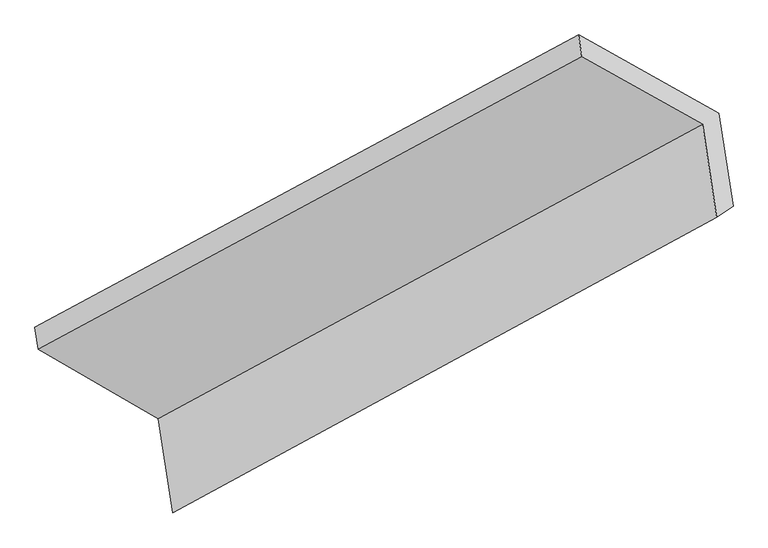
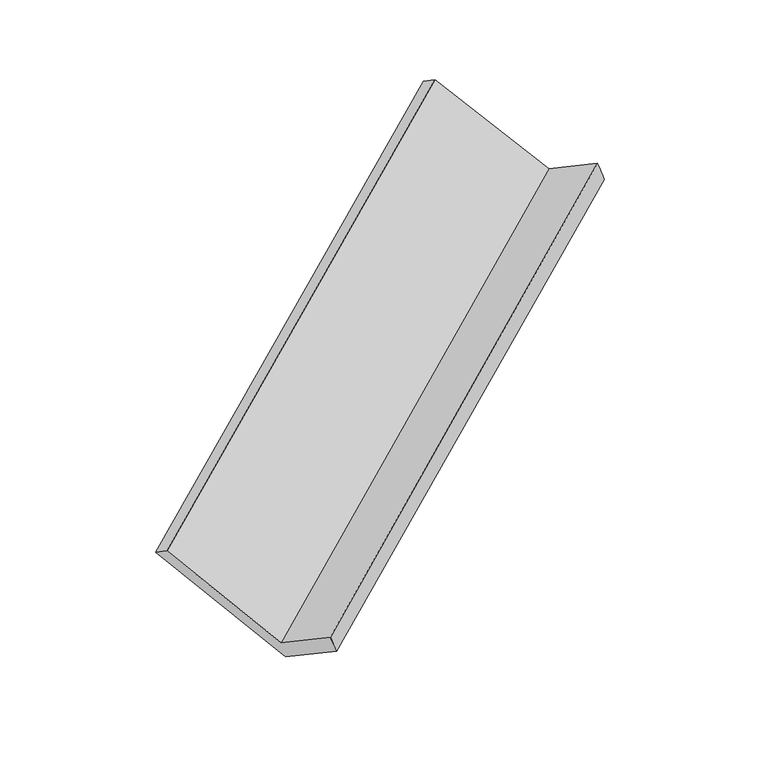
"""IFC4 building model written with IfcOpenShell, lengths in millimetres: proxy geometry."""

from ifc_helpers import new_model, si_unit, frame, origin, place, context, project, spatial, source, transform, mapped, element, save
from ifc_brep_helpers import plane_surface, spline_surface, advanced_brep


def generic_models_18e93d5b(model_context):
    return source(origin(), model_context, "Body", "AdvancedBrep", [
        advanced_brep(
        [(-3713.0671126, -2431.3526937, 1178.7711838), (-3772.6303204, -2039.3545392, 927.095727), (-1583.5681836, -868.4055271, 2241.4131854), (-1527.1644627, -1239.6104254, 2479.7387012), (-4318.7871481, -1724.727491, 1546.4015459), (-2144.7148431, -555.47184, 2861.6290972), (-4305.3809076, -1812.9568144, 1603.0476168), (-2131.3087639, -643.700102, 2918.2744867), (-3825.6600795, -2089.3117741, 1059.0758394), (-1649.0600266, -912.6477734, 2385.2730816), (-3768.4521401, -2465.8094054, 1300.7994605), (-1592.437174, -1285.2948245, 2624.524506)],
        [
            (0, 1),
            (1, 2),
            (2, 3),
            (3, 0),
            (1, 4),
            (4, 5),
            (5, 2),
            (4, 6),
            (6, 7),
            (7, 5),
            (6, 8),
            (8, 9),
            (9, 7),
            (8, 10),
            (10, 11),
            (11, 9),
            (10, 0),
            (3, 11),
        ],
        [
            plane_surface(frame((-3742.8487165, -2235.3536164, 1052.9334554), z_axis=(0.6139443428809808, -0.35828675404936433, -0.7033512250058368), x_axis=(-0.1268304977008214, 0.8346985138737649, -0.5359033642270689))),
            spline_surface(1, 1, [[(-3772.6303204, -2039.3545392, 927.095727), (-1583.5681836, -868.4055271, 2241.4131854)], [(-4318.7871481, -1724.727491, 1546.4015459), (-2144.7148431, -555.47184, 2861.6290972)]], [2, 2], [2, 2], [0.0, 1.0], [0.0, 1.0]),
            plane_surface(frame((-4312.0840279, -1768.8421527, 1574.7245813), z_axis=(-0.6165136821018854, 0.3569037694818947, 0.7018052287570892), x_axis=(0.12683049770092553, -0.8346985138738752, 0.5359033642268725))),
            plane_surface(frame((-4065.5204936, -1951.1342942, 1331.0617281), z_axis=(0.1255554489525061, -0.8353877561746585, 0.5351290742164958), x_axis=(0.6283739515529061, -0.3504409612283685, -0.6945050825610445))),
            plane_surface(frame((-3797.0561098, -2277.5605898, 1179.93765), z_axis=(-0.6189421558336262, 0.3555896776362913, 0.7003331984780828), x_axis=(0.12683049770084143, -0.8346985138737861, 0.5359033642270309))),
            spline_surface(1, 1, [[(-3768.4521401, -2465.8094054, 1300.7994605), (-1592.437174, -1285.2948245, 2624.524506)], [(-3713.0671126, -2431.3526937, 1178.7711838), (-1527.1644627, -1239.6104254, 2479.7387012)]], [2, 2], [2, 2], [0.0, 1.0], [0.0, 1.0]),
            plane_surface(frame((-1771.3755757, -917.5217487, 2585.1421764), z_axis=(0.7675048505610583, 0.4248321400089207, 0.4800562021062622), x_axis=(0.12683049770084143, -0.8346985138737861, 0.5359033642270309))),
            plane_surface(frame((-3950.6629514, -2093.9187863, 1269.1985622), z_axis=(-0.7758186980799829, -0.42011988944617973, -0.4707490055233365), x_axis=(-0.400273768844612, -0.24902249737116314, 0.8819119603327529))),
        ],
        [
            (0, [[1, 2, 3, 4]]),
            (1, [[5, 6, 7, -2]]),
            (2, [[8, 9, 10, -6]]),
            (3, [[11, 12, 13, -9]]),
            (4, [[14, 15, 16, -12]]),
            (5, [[17, -4, 18, -15]]),
            (6, [[-16, -18, -3, -7, -10, -13]]),
            (7, [[-17, -14, -11, -8, -5, -1]]),
        ],
    ),
    ])


if __name__ == "__main__":
    model = new_model("IFC4")
    model_context = context("Model", 3, world=origin())
    ifc_project = project(units=[si_unit("LENGTHUNIT", "METRE", prefix="MILLI")], contexts=[model_context])
    site = spatial("IfcSite", under=ifc_project)
    building = spatial("IfcBuilding", under=site)
    placement = place(None, origin())
    generic_models_shape = generic_models_18e93d5b(model_context)
    element("IfcBuildingElementProxy", 1, Name="Generic Models", at=placement, inside=building, context=model_context, shape_type="MappedRepresentation", body=[
        mapped(generic_models_shape, transform((0.0, 0.0, 0.0), x_axis=(1.0, 0.0, 0.0), y_axis=(0.0, 1.0, 0.0), z_axis=(0.0, 0.0, 1.0))),
    ])
    save(model, "model.ifc")
